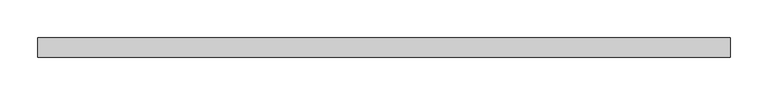
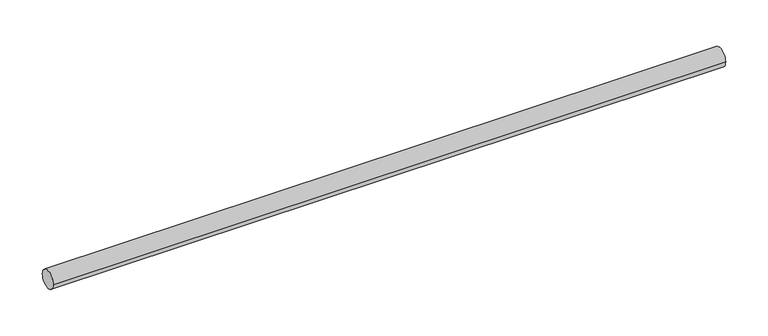
"""IFC4 building model written with IfcOpenShell, lengths in millimetres: furniture geometry."""

from ifc_helpers import new_model, si_unit, point, frame, frame_2d, origin, place, context, project, spatial, circle_curve, trimmed, segment, composite_curve, outline, extrude, source, transform, mapped, element, save


def furniture_e34bd411(model_context):
    return source(origin(), model_context, "Body", "SweptSolid", [
        extrude(outline(composite_curve([segment(trimmed(circle_curve(frame_2d((-342.9, -12.7)), 12.7), [point((-330.2, -12.7))], [point((-355.6, -12.7))], False, "CARTESIAN"), True, "CONTINUOUS"), segment(trimmed(circle_curve(frame_2d((-342.9, -12.7)), 12.7), [point((-355.6, -12.7))], [point((-330.2, -12.7))], False, "CARTESIAN"), True, "CONTINUOUS")], self_intersect=False)), frame((-438.4622951, 0.0, 0.0), z_axis=(1.0, 0.0, 0.0), x_axis=(0.0, 1.0, 0.0)), (0.0, 0.0, 1.0), 914.4),
    ])


if __name__ == "__main__":
    model = new_model("IFC4")
    model_context = context("Model", 3, world=origin())
    ifc_project = project(units=[si_unit("LENGTHUNIT", "METRE", prefix="MILLI")], contexts=[model_context])
    site = spatial("IfcSite", under=ifc_project)
    building = spatial("IfcBuilding", under=site)
    placement = place(None, origin())
    furniture_shape = furniture_e34bd411(model_context)
    element("IfcFurniture", 1, at=placement, inside=building, context=model_context, shape_type="MappedRepresentation", body=[
        mapped(furniture_shape, transform((0.0, 0.0, 0.0), x_axis=(1.0, 0.0, 0.0), y_axis=(0.0, 1.0, 0.0), z_axis=(0.0, 0.0, 1.0))),
    ])
    save(model, "model.ifc")
